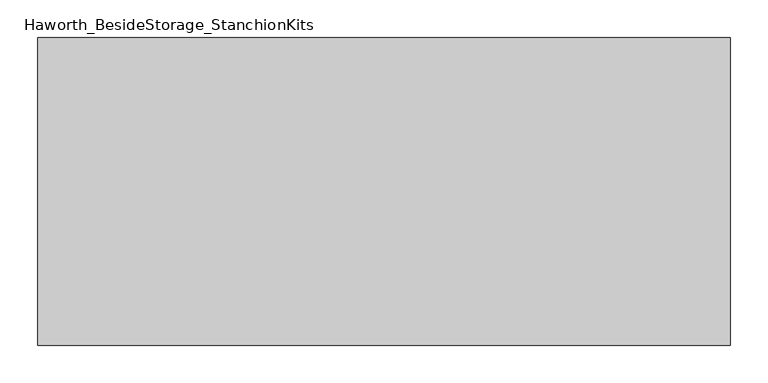
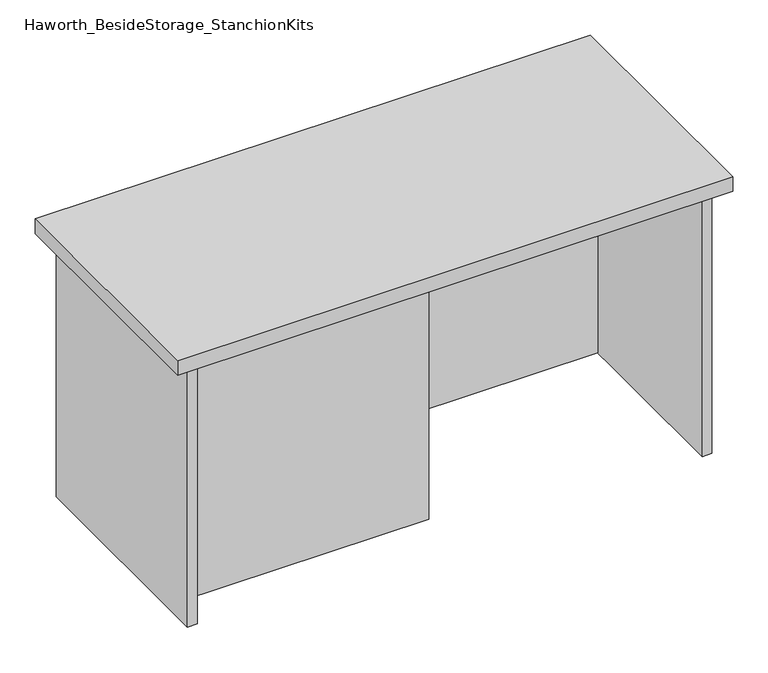
"""IFC4 building model written with IfcOpenShell, lengths in millimetres: furniture geometry, Haworth_BesideStorage_StanchionKits."""

from ifc_helpers import new_model, si_unit, frame, origin, place, context, project, spatial, polyline, outline, extrude, source, transform, mapped, element, save


def haworth_besidestorage_stanchionkits_57e91ee2(model_context):
    return source(origin(), model_context, "Body", "SweptSolid", [
        extrude(outline(polyline([(619.125, 0.0), (619.125, -406.4), (-295.275, -406.4), (-295.275, 0.0), (619.125, 0.0)])), frame((0.0, 0.0, 889.0), z_axis=(0.0, 0.0, 1.0), x_axis=(1.0, 0.0, 0.0)), (0.0, 0.0, 1.0), 25.4),
        extrude(outline(polyline([(161.925, -76.2), (577.85, -76.2), (577.85, -92.075), (161.925, -92.075), (161.925, -76.2)])), frame((0.0, 0.0, 431.8), z_axis=(0.0, 0.0, 1.0), x_axis=(1.0, 0.0, 0.0)), (0.0, 0.0, 1.0), 457.2),
        extrude(outline(polyline([(161.925, -314.325), (161.925, -330.2), (-254.0, -330.2), (-254.0, -314.325), (161.925, -314.325)])), frame((0.0, 0.0, 431.8), z_axis=(0.0, 0.0, 1.0), x_axis=(1.0, 0.0, 0.0)), (0.0, 0.0, 1.0), 457.2),
        extrude(outline(polyline([(593.725, -390.525), (577.85, -390.525), (577.85, -15.875), (593.725, -15.875), (593.725, -390.525)])), frame((0.0, 0.0, 431.8), z_axis=(0.0, 0.0, 1.0), x_axis=(1.0, 0.0, 0.0)), (0.0, 0.0, 1.0), 457.2),
        extrude(outline(polyline([(-254.0, -390.525), (-269.875, -390.525), (-269.875, -15.875), (-254.0, -15.875), (-254.0, -390.525)])), frame((0.0, 0.0, 431.8), z_axis=(0.0, 0.0, 1.0), x_axis=(1.0, 0.0, 0.0)), (0.0, 0.0, 1.0), 457.2),
    ])


if __name__ == "__main__":
    model = new_model("IFC4")
    model_context = context("Model", 3, world=origin())
    ifc_project = project(units=[si_unit("LENGTHUNIT", "METRE", prefix="MILLI")], contexts=[model_context])
    site = spatial("IfcSite", under=ifc_project)
    building = spatial("IfcBuilding", under=site)
    placement = place(None, origin())
    haworth_besidestorage_stanchionkits_shape = haworth_besidestorage_stanchionkits_57e91ee2(model_context)
    element("IfcFurniture", 1, ObjectType="Haworth_BesideStorage_StanchionKits", at=placement, inside=building, context=model_context, shape_type="MappedRepresentation", body=[
        mapped(haworth_besidestorage_stanchionkits_shape, transform((0.0, 0.0, 0.0), x_axis=(1.0, 0.0, 0.0), y_axis=(0.0, 1.0, 0.0), z_axis=(0.0, 0.0, 1.0))),
    ])
    save(model, "model.ifc")
